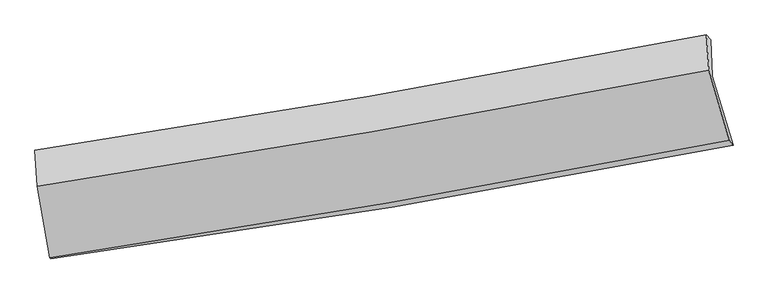
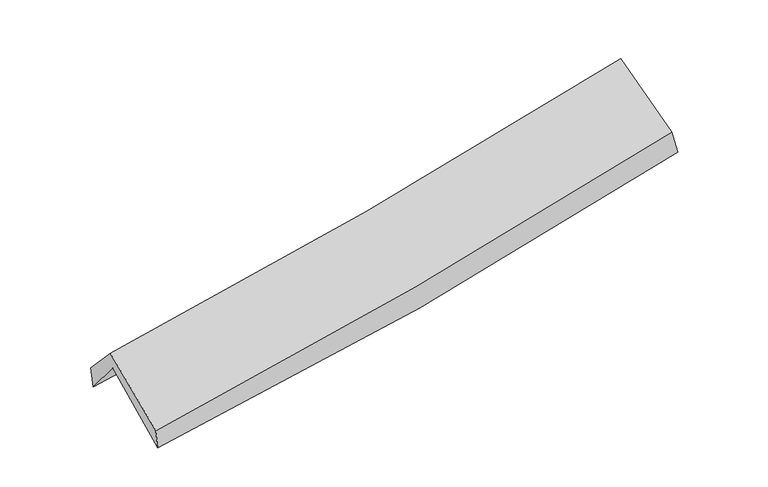
"""IFC4 building model written with IfcOpenShell, lengths in millimetres: proxy geometry."""

from ifc_helpers import new_model, si_unit, frame, origin, place, context, project, spatial, source, transform, mapped, element, save
from ifc_brep_helpers import plane_surface, spline_curve, spline_surface, advanced_brep


def generic_models_2bddba97(model_context):
    return source(origin(), model_context, "Body", "AdvancedBrep", [
        advanced_brep(
        [(-2339.7018753, -2476.3748265, 1495.3097555), (-2428.6776187, -1972.5638575, 1930.5355559), (2366.2383039, -1175.4247118, 2370.9309481), (2514.0657511, -1668.4298481, 1942.3309917), (-2442.2702514, -1716.4253992, 1610.5059778), (2353.3772424, -916.1293372, 2047.8061928), (-2453.7836647, -1701.8621157, 1776.0442237), (2324.5171434, -882.5779929, 2235.9011418), (-2437.9060719, -1957.9414205, 2056.8584105), (2341.4719433, -1135.1289243, 2513.186158), (-2349.5197057, -2467.8212627, 1644.8068504), (2486.7635647, -1630.6852242, 2110.2721023)],
        [
            (0, 1),
            (1, 2, spline_curve(3, [(-2428.6776187, -1972.5638575, 1930.5355559), (-1628.103116921, -1861.915157853, 1972.525237593), (-830.486445683, -1740.599664511, 2029.923980497), (767.886657041, -1475.131105182, 2176.369260041), (1568.575293423, -1330.733549806, 2265.768981337), (2366.2383039, -1175.4247118, 2370.9309481)], [4, 2, 4], [0.0, 8.012681280805014, 16.116669927098602])),
            (2, 3),
            (3, 0, spline_curve(3, [(2514.0657511, -1668.4298481, 1942.3309917), (1707.738701259, -1826.026466683, 1835.490159427), (897.782552224, -1972.472149781, 1744.697333677), (-720.221307197, -2241.537283682, 1596.04984227), (-1528.187700099, -2364.406593425, 1537.835589468), (-2339.7018753, -2476.3748265, 1495.3097555)], [4, 2, 4], [0.0, 8.103988646293589, 16.116669927098602])),
            (1, 4),
            (4, 5, spline_curve(3, [(-2442.2702514, -1716.4253992, 1610.5059778), (-1642.889789009, -1598.64552693, 1654.878564547), (-845.813244453, -1473.484142822, 1713.220493016), (752.788727446, -1206.887977332, 1858.667046139), (1554.261347264, -1065.284007271, 1946.091855825), (2353.3772424, -916.1293372, 2047.8061928)], [4, 2, 4], [0.0, 7.963896584589941, 16.018544615628194])),
            (5, 2),
            (4, 6),
            (6, 7, spline_curve(3, [(-2453.7836647, -1701.8621157, 1776.0442237), (-1657.768273046, -1581.411950015, 1833.5507296), (-863.813020419, -1453.34339498, 1900.355308928), (729.001135123, -1180.423305421, 2053.427831185), (1527.812818589, -1035.397152665, 2139.908891302), (2324.5171434, -882.5779929, 2235.9011418)], [4, 2, 4], [0.0, 7.954236881691286, 15.99911513406571])),
            (7, 5),
            (6, 8),
            (8, 9, spline_curve(3, [(-2437.9060719, -1957.9414205, 2056.8584105), (-1641.740019344, -1836.07280078, 2112.857561899), (-847.620256243, -1707.000291759, 2178.613419547), (745.552650818, -1432.894577002, 2330.499039491), (1544.558892865, -1287.696253877, 2416.852431061), (2341.4719433, -1135.1289243, 2513.186158)], [4, 2, 4], [0.0, 7.945385045224592, 15.981310591293727])),
            (9, 7),
            (8, 10),
            (10, 11, spline_curve(3, [(-2349.5197057, -2467.8212627, 1644.8068504), (-1542.465653748, -2345.034409998, 1701.079941193), (-738.182523747, -2214.320041353, 1767.726399835), (873.975411079, -1935.456398246, 1922.643720195), (1681.786704207, -1787.12542093, 2011.152345784), (2486.7635647, -1630.6852242, 2110.2721023)], [4, 2, 4], [0.0, 7.994766619838535, 16.08063646120445])),
            (11, 9),
            (10, 0),
            (3, 11),
        ],
        [
            spline_surface(3, 3, [[(-2339.7018753, -2476.3748265, 1495.3097555), (-1528.187700174, -2364.406593393, 1537.835589379), (-720.221307144, -2241.537283691, 1596.049842362), (897.782552171, -1972.472149772, 1744.697333585), (1707.738701277, -1826.02646666, 1835.490159386), (2514.0657511, -1668.4298481, 1942.3309917)], [(-2369.360456459, -2308.437836829, 1640.385022284), (-1561.492839103, -2196.909448253, 1682.732138741), (-756.976353337, -2074.558077342, 1740.674555078), (854.483920438, -1806.691801536, 1888.587975763), (1661.35089861, -1660.928827711, 1978.916433326), (2464.789935345, -1504.094802663, 2085.197643833)], [(-2399.019037541, -2140.500847171, 1785.460289116), (-1594.797977954, -2029.412303125, 1827.628688149), (-793.731399476, -1907.578870984, 1885.299267748), (811.185288759, -1640.911453291, 2032.478617895), (1614.963096007, -1495.831188772, 2122.342707267), (2415.514119655, -1339.759757237, 2228.064295967)], [(-2428.6776187, -1972.5638575, 1930.5355559), (-1628.103116883, -1861.915157985, 1972.525237511), (-830.486445669, -1740.599664636, 2029.923980465), (767.886657026, -1475.131105056, 2176.369260074), (1568.57529334, -1330.733549823, 2265.768981207), (2366.2383039, -1175.4247118, 2370.9309481)]], [4, 4], [4, 2, 4], [0.0, 2.2029256176796164], [0.0, 8.012681280805014, 16.116669927098602]),
            spline_surface(3, 3, [[(-2428.6776187, -1972.5638575, 1930.5355559), (-1628.103116883, -1861.915157985, 1972.525237511), (-830.486445669, -1740.599664636, 2029.923980465), (767.886657026, -1475.131105056, 2176.369260074), (1568.57529334, -1330.733549823, 2265.768981207), (2366.2383039, -1175.4247118, 2370.9309481)], [(-2433.208496265, -1887.184371407, 1823.859029874), (-1633.032007576, -1774.158614312, 1866.643013193), (-835.595378561, -1651.561157372, 1924.356151306), (762.854013804, -1385.716729139, 2070.468522074), (1563.803978005, -1242.250369021, 2159.209939476), (2361.951283399, -1088.992920277, 2263.222696358)], [(-2437.739373835, -1801.804885293, 1717.182503826), (-1637.960898274, -1686.40207062, 1760.760788854), (-840.704311464, -1562.522650111, 1818.788322194), (757.821370571, -1296.302353224, 1964.56778412), (1559.032662673, -1153.767188187, 2052.65089767), (2357.664262901, -1002.561128723, 2155.514444542)], [(-2442.2702514, -1716.4253992, 1610.5059778), (-1642.889788967, -1598.645526948, 1654.878564535), (-845.813244357, -1473.484142847, 1713.220493034), (752.788727349, -1206.887977307, 1858.66704612), (1554.261347339, -1065.284007385, 1946.091855939), (2353.3772424, -916.1293372, 2047.8061928)]], [4, 4], [4, 2, 4], [0.0, 1.3626674221786248], [0.0, 7.963896584589941, 16.018544615628194]),
            spline_surface(3, 3, [[(-2442.2702514, -1716.4253992, 1610.5059778), (-1642.889788967, -1598.645526948, 1654.878564535), (-845.813244357, -1473.484142847, 1713.220493034), (752.788727349, -1206.887977307, 1858.66704612), (1554.261347339, -1065.284007385, 1946.091855939), (2353.3772424, -916.1293372, 2047.8061928)], [(-2446.108055819, -1711.570971374, 1665.685393081), (-1647.849283681, -1592.901001325, 1714.435952898), (-851.813169705, -1466.770560269, 1775.598765023), (744.859529959, -1198.066419984, 1923.587307833), (1545.445171059, -1055.321722484, 2010.697534375), (2343.757209409, -904.945555773, 2110.504509126)], [(-2449.945860281, -1706.716543526, 1720.864808419), (-1652.808778439, -1587.156475681, 1773.993341318), (-857.81309509, -1460.056977665, 1837.977036939), (736.930332532, -1189.244862635, 1988.507569473), (1536.628994752, -1045.359437564, 2075.303212832), (2334.137176391, -893.761774327, 2173.202825474)], [(-2453.7836647, -1701.8621157, 1776.0442237), (-1657.768273153, -1581.411950058, 1833.550729681), (-863.813020438, -1453.343395087, 1900.355308927), (729.001135142, -1180.423305313, 2053.427831185), (1527.812818472, -1035.397152662, 2139.908891267), (2324.5171434, -882.5779929, 2235.9011418)]], [4, 4], [4, 2, 4], [0.0, 0.6349929359540256], [0.0, 7.954236881691286, 15.99911513406571]),
            spline_surface(3, 3, [[(-2453.7836647, -1701.8621157, 1776.0442237), (-1657.768273153, -1581.411950058, 1833.550729681), (-863.813020438, -1453.343395087, 1900.355308927), (729.001135142, -1180.423305313, 2053.427831185), (1527.812818472, -1035.397152662, 2139.908891267), (2324.5171434, -882.5779929, 2235.9011418)], [(-2448.491133762, -1787.221883968, 1869.648952643), (-1652.425521884, -1666.298900301, 1926.653007133), (-858.415432408, -1537.895693984, 1993.108012461), (734.518307042, -1264.580395859, 2145.784900602), (1533.394843292, -1119.496853063, 2232.223404527), (2330.16874338, -966.761636692, 2328.329480516)], [(-2443.198602838, -1872.581652232, 1963.253681557), (-1647.082770628, -1751.185850541, 2019.755284556), (-853.017844337, -1622.447992897, 2085.860716031), (740.035478983, -1348.737486421, 2238.141970056), (1538.976868071, -1203.596553488, 2324.537917839), (2335.82034332, -1050.945280508, 2420.757819284)], [(-2437.9060719, -1957.9414205, 2056.8584105), (-1641.740019358, -1836.072800784, 2112.857562008), (-847.620256307, -1707.000291794, 2178.613419565), (745.552650882, -1432.894576967, 2330.499039473), (1544.558892891, -1287.696253889, 2416.852431099), (2341.4719433, -1135.1289243, 2513.186158)]], [4, 4], [4, 2, 4], [0.0, 1.2337010220309943], [0.0, 7.945385045224592, 15.981310591293727]),
            spline_surface(3, 3, [[(-2437.9060719, -1957.9414205, 2056.8584105), (-1641.740019358, -1836.072800784, 2112.857562008), (-847.620256307, -1707.000291794, 2178.613419565), (745.552650882, -1432.894576967, 2330.499039473), (1544.558892891, -1287.696253889, 2416.852431099), (2341.4719433, -1135.1289243, 2513.186158)], [(-2408.443949858, -2127.901367881, 1919.507890464), (-1608.648564176, -2005.726670499, 1975.598355106), (-811.141012085, -1876.10687496, 2041.651079628), (788.360237567, -1600.415184083, 2194.547266397), (1590.30149667, -1454.17264286, 2281.619069329), (2389.902483744, -1300.314357598, 2378.881472779)], [(-2378.981827742, -2297.861315319, 1782.157370436), (-1575.557108919, -2175.380540272, 1838.33914821), (-774.661767845, -2045.213458121, 1904.688739707), (831.167824269, -1767.935791195, 2058.595493336), (1636.044100516, -1620.649031838, 2146.385707522), (2438.333024256, -1465.499790902, 2244.576787521)], [(-2349.5197057, -2467.8212627, 1644.8068504), (-1542.465653736, -2345.034409987, 1701.079941308), (-738.182523623, -2214.320041288, 1767.72639977), (873.975410953, -1935.456398312, 1922.643720261), (1681.786704295, -1787.125420809, 2011.152345752), (2486.7635647, -1630.6852242, 2110.2721023)]], [4, 4], [4, 2, 4], [0.0, 2.1680333419379525], [0.0, 7.994766619838535, 16.08063646120445]),
            spline_surface(3, 3, [[(-2349.5197057, -2467.8212627, 1644.8068504), (-1542.465653736, -2345.034409987, 1701.079941308), (-738.182523623, -2214.320041288, 1767.72639977), (873.975410953, -1935.456398312, 1922.643720261), (1681.786704295, -1787.125420809, 2011.152345752), (2486.7635647, -1630.6852242, 2110.2721023)], [(-2346.247095537, -2470.672450641, 1594.974485454), (-1537.706335852, -2351.491804463, 1646.665157352), (-732.195451442, -2223.392455415, 1710.500880627), (881.911124714, -1947.794982124, 1863.328258029), (1690.437369978, -1800.092436089, 1952.598283618), (2495.864293523, -1643.266765497, 2054.291732088)], [(-2342.974485463, -2473.523638559, 1545.142120446), (-1532.947018058, -2357.949198916, 1592.250373335), (-726.208379325, -2232.464869564, 1653.275361504), (889.84683841, -1960.133565959, 1804.012795817), (1699.088035594, -1813.059451379, 1894.04422152), (2504.965022277, -1655.848306803, 1998.311361912)], [(-2339.7018753, -2476.3748265, 1495.3097555), (-1528.187700174, -2364.406593393, 1537.835589379), (-720.221307144, -2241.537283691, 1596.049842362), (897.782552171, -1972.472149772, 1744.697333585), (1707.738701277, -1826.02646666, 1835.490159386), (2514.0657511, -1668.4298481, 1942.3309917)]], [4, 4], [4, 2, 4], [0.0, 0.5872963651996914], [0.0, 8.052329976371443, 16.196419129280766]),
            plane_surface(frame((2397.7389915, -1234.7293398, 2203.4045891), z_axis=(0.9745985091224421, 0.19200684930062817, 0.11528710178488862), x_axis=(0.2218191560215746, -0.7565741175904847, -0.6151356489539977))),
            plane_surface(frame((-2408.643198, -2048.8314803, 1752.3434623), z_axis=(-0.9904777518604335, -0.12490538502874023, -0.05790049965521619), x_axis=(-0.06542468035819819, 0.05699978011827322, 0.9962282049141633))),
        ],
        [
            (0, [[1, 2, 3, 4]]),
            (1, [[5, 6, 7, -2]]),
            (2, [[8, 9, 10, -6]]),
            (3, [[11, 12, 13, -9]]),
            (4, [[14, 15, 16, -12]]),
            (5, [[17, -4, 18, -15]]),
            (6, [[-16, -18, -3, -7, -10, -13]]),
            (7, [[-17, -14, -11, -8, -5, -1]]),
        ],
    ),
    ])


if __name__ == "__main__":
    model = new_model("IFC4")
    model_context = context("Model", 3, world=origin())
    ifc_project = project(units=[si_unit("LENGTHUNIT", "METRE", prefix="MILLI")], contexts=[model_context])
    site = spatial("IfcSite", under=ifc_project)
    building = spatial("IfcBuilding", under=site)
    placement = place(None, origin())
    generic_models_shape = generic_models_2bddba97(model_context)
    element("IfcBuildingElementProxy", 1, Name="Generic Models", at=placement, inside=building, context=model_context, shape_type="MappedRepresentation", body=[
        mapped(generic_models_shape, transform((0.0, 0.0, 0.0), x_axis=(1.0, 0.0, 0.0), y_axis=(0.0, 1.0, 0.0), z_axis=(0.0, 0.0, 1.0))),
    ])
    save(model, "model.ifc")
